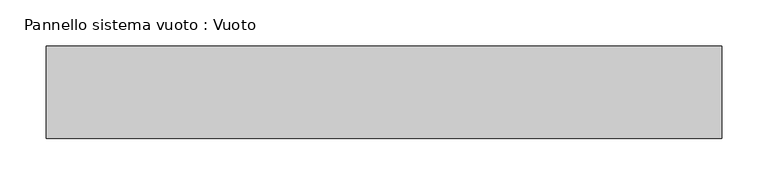
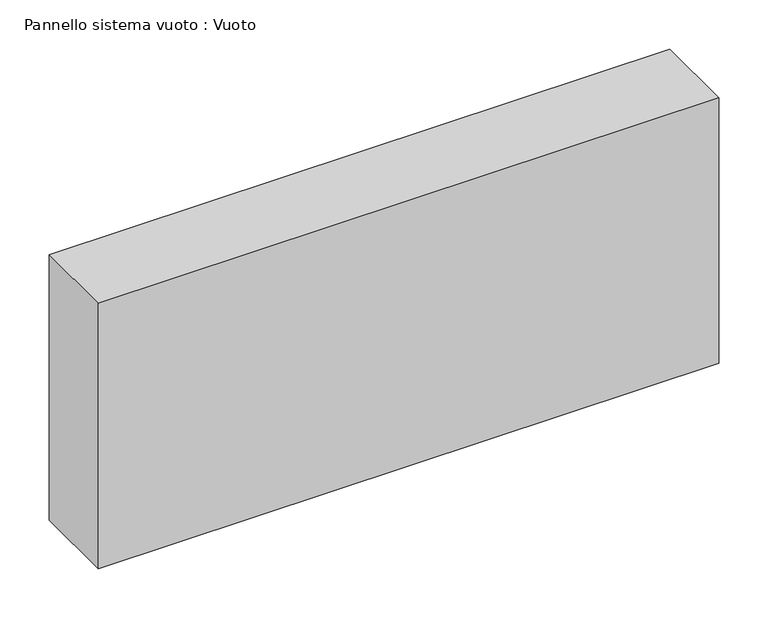
"""IFC4 building model written with IfcOpenShell, lengths in millimetres: plate geometry, Pannello sistema vuoto : Vuoto."""

from ifc_helpers import new_model, si_unit, origin, origin_with_axes, place, context, project, spatial, polyline, outline, extrude, source, transform, mapped, element, save


def pannello_sistema_vuoto_vuoto_029fb4e9(model_context):
    return source(origin(), model_context, "Body", "SweptSolid", [
        extrude(outline(polyline([(365.0, 50.0), (-365.0, 50.0), (-365.0, 150.0), (365.0, 150.0), (365.0, 50.0)])), origin_with_axes(), (0.0, 0.0, 1.0), 330.0),
    ])


if __name__ == "__main__":
    model = new_model("IFC4")
    model_context = context("Model", 3, world=origin())
    ifc_project = project(units=[si_unit("LENGTHUNIT", "METRE", prefix="MILLI")], contexts=[model_context])
    site = spatial("IfcSite", under=ifc_project)
    building = spatial("IfcBuilding", under=site)
    placement = place(None, origin())
    pannello_sistema_vuoto_vuoto_shape = pannello_sistema_vuoto_vuoto_029fb4e9(model_context)
    element("IfcPlate", 1, ObjectType="Pannello sistema vuoto : Vuoto", at=placement, inside=building, context=model_context, shape_type="MappedRepresentation", body=[
        mapped(pannello_sistema_vuoto_vuoto_shape, transform((0.0, 0.0, 0.0), x_axis=(1.0, 0.0, 0.0), y_axis=(0.0, 1.0, 0.0), z_axis=(0.0, 0.0, 1.0))),
    ])
    save(model, "model.ifc")
